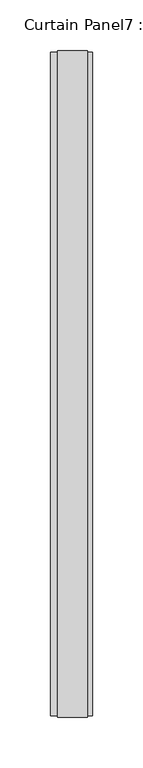
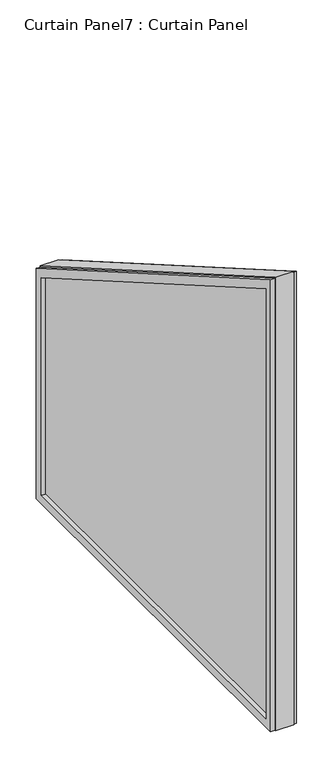
"""IFC4 building model written with IfcOpenShell, lengths in millimetres: plate geometry, Curtain Panel7 : Curtain Panel."""

from ifc_helpers import new_model, si_unit, frame, origin, place, context, project, spatial, polyline, outline, extrude, source, transform, mapped, element, save


def curtain_panel7_curtain_panel_c0b4dbd6(model_context):
    return source(origin(), model_context, "Body", "SweptSolid", [
        extrude(outline(polyline([(-18781.8261049, -82.9805969), (-19436.7849693, -82.9805969), (-19436.7849693, 687.4161108), (-18781.8261049, 309.2754341), (-18781.8261049, -82.9805969)]), holes=[polyline([(-18792.949566, 302.8533008), (-19425.6615082, 668.149711), (-19425.6615082, -71.8571358), (-18792.949566, -71.8571358), (-18792.949566, 302.8533008)])]), frame((12059.7979466, 0.0, 0.0), z_axis=(1.0, 0.0, 0.0), x_axis=(0.0, 1.0, 0.0)), (0.0, 0.0, 1.0), 4.9230146),
        extrude(outline(polyline([(-18781.8261049, -82.9805969), (-19436.7849693, -82.9805969), (-19436.7849693, 687.4161108), (-18781.8261049, 309.2754341), (-18781.8261049, -82.9805969)]), holes=[polyline([(-18795.4447685, 301.412695), (-19423.1663057, 663.8278934), (-19423.1663057, -69.3619333), (-18795.4447685, -69.3619333), (-18795.4447685, 301.412695)])]), frame((12023.0903612, 0.0, 0.0), z_axis=(1.0, 0.0, 0.0), x_axis=(0.0, 1.0, 0.0)), (0.0, 0.0, 1.0), 6.9963841),
        extrude(outline(polyline([(-19438.4073778, -82.9805969), (-19438.4073778, 690.2262047), (-18780.2036964, 310.2121321), (-18780.2036964, -82.9805969), (-19438.4073778, -82.9805969)])), frame((12030.0867453, 0.0, 0.0), z_axis=(1.0, 0.0, 0.0), x_axis=(0.0, 1.0, 0.0)), (0.0, 0.0, 1.0), 29.6542081),
    ])


if __name__ == "__main__":
    model = new_model("IFC4")
    model_context = context("Model", 3, world=origin())
    ifc_project = project(units=[si_unit("LENGTHUNIT", "METRE", prefix="MILLI")], contexts=[model_context])
    site = spatial("IfcSite", under=ifc_project)
    building = spatial("IfcBuilding", under=site)
    placement = place(None, origin())
    curtain_panel7_curtain_panel_shape = curtain_panel7_curtain_panel_c0b4dbd6(model_context)
    element("IfcPlate", 1, ObjectType="Curtain Panel7 : Curtain Panel", at=placement, inside=building, context=model_context, shape_type="MappedRepresentation", body=[
        mapped(curtain_panel7_curtain_panel_shape, transform((0.0, 0.0, 0.0), x_axis=(1.0, 0.0, 0.0), y_axis=(0.0, 1.0, 0.0), z_axis=(0.0, 0.0, 1.0))),
    ])
    save(model, "model.ifc")
